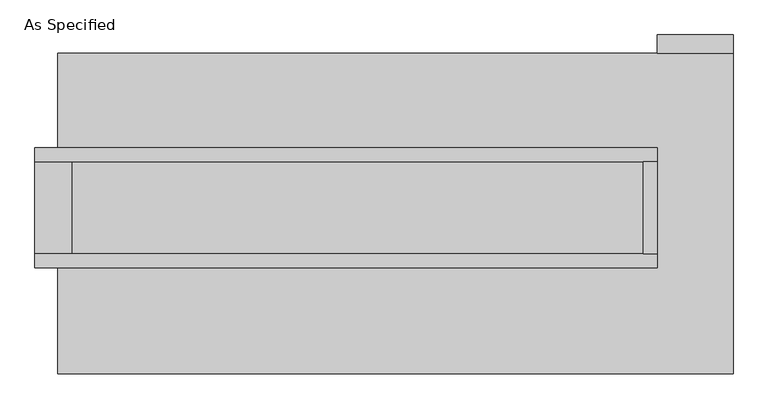
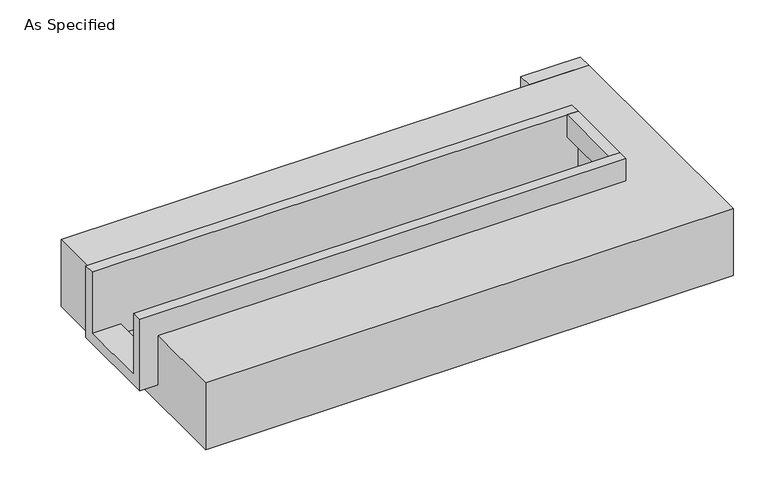
"""IFC4 building model written with IfcOpenShell, lengths in millimetres: proxy geometry, As Specified."""

import ifcopenshell
import ifcopenshell.guid

model = None  # the IFC model being written
_history = None  # IfcOwnerHistory: only IFC2X3 demands one
_inside = {}  # id of a spatial element -> (the spatial element, [elements in it])
_under = {}  # id of a project, library or spatial element -> (it, [spatial elements below it])
_declared = {}  # id of a project -> (the project, [libraries it declares])
_typed = {}  # id of a type object -> (the type object, [elements of that type])
_made_of = {}  # id of a material, layer set ... -> (it, [elements and type objects made of it])


def new_model(schema):
    """Start an empty IFC model of exactly this schema.

    Asked for "IFC4X3", IfcOpenShell would pick the latest addendum, in which some entities
    have other attributes; the version numbers below select the first issue.
    IFC2X3 requires an IfcOwnerHistory on every rooted entity: one is made here for all.
    """
    global model, _history
    if schema == "IFC4X3":
        model = ifcopenshell.file(schema_version=(4, 3, 0, 0))
    else:
        model = ifcopenshell.file(schema=schema)
    _inside.clear()
    _under.clear()
    _declared.clear()
    _typed.clear()
    _made_of.clear()
    _history = None
    if model.schema == "IFC2X3":
        org = make("IfcOrganization", Name="unknown")
        user = make(
            "IfcPersonAndOrganization",
            ThePerson=make("IfcPerson", FamilyName="unknown"),
            TheOrganization=org,
        )
        app = make(
            "IfcApplication",
            ApplicationDeveloper=org,
            Version="unknown",
            ApplicationFullName="unknown",
            ApplicationIdentifier="unknown",
        )
        _history = make(
            "IfcOwnerHistory",
            OwningUser=user,
            OwningApplication=app,
            ChangeAction="ADDED",
            CreationDate=0,
        )
    return model


def make(cls, **values):
    """One entity of the class cls with the attributes given. An attribute that is None is left unset."""
    return model.create_entity(
        cls, **{name: value for name, value in values.items() if value is not None}
    )


def rooted(cls, **values):
    """An entity with a GlobalId (a new one), such as an element, a storey or a relation."""
    return make(cls, GlobalId=ifcopenshell.guid.new(), OwnerHistory=_history, **values)


def si_unit(unit_type, name, prefix=None):
    """IfcSIUnit, for example si_unit("LENGTHUNIT", "METRE", prefix="MILLI")."""
    return make("IfcSIUnit", UnitType=unit_type, Prefix=prefix, Name=name)


def assignment(units):
    """IfcUnitAssignment: the units of a project."""
    return None if units is None else make("IfcUnitAssignment", Units=units)


def point(xyz):
    """IfcCartesianPoint."""
    return None if xyz is None else make("IfcCartesianPoint", Coordinates=xyz)


def direction(xyz):
    """IfcDirection."""
    return None if xyz is None else make("IfcDirection", DirectionRatios=xyz)


def frame(location, z_axis=None, x_axis=None):
    """IfcAxis2Placement3D, a coordinate frame: its origin and axes. An axis left out is left unset."""
    return make(
        "IfcAxis2Placement3D",
        Location=point(location),
        Axis=direction(z_axis),
        RefDirection=direction(x_axis),
    )


def origin():
    """The frame at (0, 0, 0) with its axes left unset."""
    return frame((0.0, 0.0, 0.0))


def place(relative_to, where):
    """IfcLocalPlacement: puts the frame where relative to a parent placement (None: the world)."""
    return make(
        "IfcLocalPlacement", PlacementRelTo=relative_to, RelativePlacement=where
    )


def context(
    kind, dimensions, precision=None, world=None, true_north=None, identifier=None
):
    """IfcGeometricRepresentationContext, for example the 3D "Model" context."""
    return make(
        "IfcGeometricRepresentationContext",
        ContextIdentifier=identifier,
        ContextType=kind,
        CoordinateSpaceDimension=dimensions,
        Precision=precision,
        WorldCoordinateSystem=world,
        TrueNorth=true_north,
    )


def project(units=None, contexts=None):
    """IfcProject with its units and contexts."""
    return rooted(
        "IfcProject",
        Name="project",
        RepresentationContexts=contexts,
        UnitsInContext=assignment(units),
    )


def spatial(cls, under=None, at=None, **own):
    """A site, building, storey or space (cls), placed at a placement, below another one or the project."""
    s = rooted(cls, ObjectPlacement=at, **own)
    if under is not None:
        _under.setdefault(under.id(), (under, []))[1].append(s)
    return s


def polyline(points):
    """IfcPolyline through the points."""
    return make("IfcPolyline", Points=[point(p) for p in points])


def outline(outer, holes=None, kind="AREA"):
    """IfcArbitraryClosedProfileDef: a profile drawn as a closed curve; with holes, ...WithVoids."""
    if holes is None:
        return make("IfcArbitraryClosedProfileDef", ProfileType=kind, OuterCurve=outer)
    return make(
        "IfcArbitraryProfileDefWithVoids",
        ProfileType=kind,
        OuterCurve=outer,
        InnerCurves=holes,
    )


def extrude(swept, where, along, depth):
    """IfcExtrudedAreaSolid: the profile swept, set in the frame where, extruded along a direction by depth."""
    return make(
        "IfcExtrudedAreaSolid",
        SweptArea=swept,
        Position=where,
        ExtrudedDirection=direction(along),
        Depth=depth,
    )


def faces_of(points, faces, orient=None, outer=None):
    """IfcFace entities. A face is a list of loops; a loop is a list of indices into points, from 0.

    orient and outer hold one flag for each loop. By default every Orientation is true, the
    first loop of a face is its IfcFaceOuterBound and the others are IfcFaceBound.
    """
    made = []
    for i, loops in enumerate(faces):
        bounds = []
        for j, loop in enumerate(loops):
            is_outer = j == 0 if outer is None else outer[i][j]
            bounds.append(
                make(
                    "IfcFaceOuterBound" if is_outer else "IfcFaceBound",
                    Bound=make("IfcPolyLoop", Polygon=[points[k] for k in loop]),
                    Orientation=True if orient is None else orient[i][j],
                )
            )
        made.append(make("IfcFace", Bounds=bounds))
    return made


def faceted_brep(points, faces, orient=None, outer=None, voids=None):
    """IfcFacetedBrep: a solid bounded by flat faces; with voids (closed shells), ...WithVoids."""
    shared = [point(p) for p in points]
    hull = make("IfcClosedShell", CfsFaces=faces_of(shared, faces, orient, outer))
    if voids is None:
        return make("IfcFacetedBrep", Outer=hull)
    return make(
        "IfcFacetedBrepWithVoids",
        Outer=hull,
        Voids=[
            make(cls, CfsFaces=faces_of(shared, fs, o, b)) for cls, fs, o, b in voids
        ],
    )


def shape(context_of_items, identifier, shape_type, items):
    """IfcShapeRepresentation: the items that make up one representation, for example the "Body"."""
    return make(
        "IfcShapeRepresentation",
        ContextOfItems=context_of_items,
        RepresentationIdentifier=identifier,
        RepresentationType=shape_type,
        Items=items,
    )


def source(mapping_origin, context_of_items, identifier, shape_type, items):
    """IfcRepresentationMap: a shape defined once, which mapped items show again and again."""
    return make(
        "IfcRepresentationMap",
        MappingOrigin=mapping_origin,
        MappedRepresentation=shape(context_of_items, identifier, shape_type, items),
    )


def transform(
    local_origin,
    x_axis=None,
    y_axis=None,
    z_axis=None,
    scale=None,
    scale2=None,
    scale3=None,
    uniform=True,
):
    """IfcCartesianTransformationOperator3D, or its non-uniform kind. x_axis, y_axis, z_axis: its Axis1, 2, 3."""
    if uniform:
        return make(
            "IfcCartesianTransformationOperator3D",
            Axis1=direction(x_axis),
            Axis2=direction(y_axis),
            LocalOrigin=point(local_origin),
            Scale=scale,
            Axis3=direction(z_axis),
        )
    return make(
        "IfcCartesianTransformationOperator3DnonUniform",
        Axis1=direction(x_axis),
        Axis2=direction(y_axis),
        LocalOrigin=point(local_origin),
        Scale=scale,
        Axis3=direction(z_axis),
        Scale2=scale2,
        Scale3=scale3,
    )


def mapped(mapping_source, mapping_target):
    """IfcMappedItem: shows the shape of a source again, moved by a transform."""
    return make(
        "IfcMappedItem", MappingSource=mapping_source, MappingTarget=mapping_target
    )


def made_of(thing, what):
    """Note that an element or type object is made of a material, layer set ...; save() writes the relation."""
    if what is not None:
        _made_of.setdefault(what.id(), (what, []))[1].append(thing)
    return thing


def element(
    cls,
    number,
    at=None,
    inside=None,
    cuts=None,
    type_object=None,
    material=None,
    context=None,
    identifier="Body",
    shape_type=None,
    held_by="IfcProductDefinitionShape",
    body=None,
    shapes=None,
    **own,
):
    """One element of the class cls, such as IfcWall. Its Tag is "e" and its number.

    at: its placement. inside: the storey or other place that contains it. cuts: it is an
    opening in that element (IfcRelVoidsElement). A single representation is given by context,
    identifier, shape_type and body (its items); several are given by shapes. held_by: the class
    of the entity that holds the representations. save() writes the other relations.
    """
    e = rooted(cls, Tag="e%d" % number, ObjectPlacement=at, **own)
    if body is not None:
        shapes = [shape(context, identifier, shape_type, body)]
    if shapes is not None:
        e.Representation = make(held_by, Representations=shapes)
    if inside is not None:
        _inside.setdefault(inside.id(), (inside, []))[1].append(e)
    if cuts is not None:
        rooted(
            "IfcRelVoidsElement", RelatingBuildingElement=cuts, RelatedOpeningElement=e
        )
    if type_object is not None:
        _typed.setdefault(type_object.id(), (type_object, []))[1].append(e)
    return made_of(e, material)


def aggregate(whole, parts):
    """IfcRelAggregates: a whole, such as a stair, and the parts it consists of."""
    return rooted("IfcRelAggregates", RelatingObject=whole, RelatedObjects=parts)


def save(model, path):
    """Write the relations noted so far, then the file.

    IfcRelAggregates (storeys below a building ...), IfcRelContainedInSpatialStructure (elements
    in a storey), IfcRelDefinesByType, IfcRelAssociatesMaterial and IfcRelDeclares: one each for
    every whole, place, type object, material and project.
    """
    for whole, parts in _under.values():
        aggregate(whole, parts)
    for where, things in _inside.values():
        rooted(
            "IfcRelContainedInSpatialStructure",
            RelatedElements=things,
            RelatingStructure=where,
        )
    for kind, things in _typed.values():
        rooted("IfcRelDefinesByType", RelatedObjects=things, RelatingType=kind)
    for what, things in _made_of.values():
        rooted("IfcRelAssociatesMaterial", RelatedObjects=things, RelatingMaterial=what)
    for by, libraries in _declared.values():
        rooted("IfcRelDeclares", RelatingContext=by, RelatedDefinitions=libraries)
    model.write(path)


def as_specified_653b16e0(model_context):
    return source(origin(), model_context, "Body", "SolidModel", [
        extrude(outline(polyline([(1987.55, 882.65), (1568.45, 882.65), (1568.45, 984.25), (1987.55, 984.25), (1987.55, 882.65)])), frame((0.0, 0.0, -523.9742188), z_axis=(0.0, 0.0, 1.0), x_axis=(1.0, 0.0, 0.0)), (0.0, 0.0, 1.0), 498.5742187),
        extrude(outline(polyline([(1492.25, 285.75), (1568.45, 285.75), (1568.45, -222.25), (1492.25, -222.25), (1492.25, 285.75)])), frame((0.0, 0.0, -25.4), z_axis=(0.0, 0.0, 1.0), x_axis=(1.0, 0.0, 0.0)), (0.0, 0.0, 1.0), 165.1),
        faceted_brep([(1568.45, 285.75, 139.7), (1568.45, 285.75, -317.5), (1568.45, -222.25, -317.5), (1568.45, -222.25, 139.7), (1568.45, -298.45, 139.7), (1568.45, -298.45, -393.7), (1568.45, 361.95, -393.7), (1568.45, 361.95, 139.7), (-1860.55, 285.75, 139.7), (-1860.55, 361.95, 139.7), (-1860.55, 361.95, -393.7), (-1860.55, -298.45, -393.7), (-1860.55, -298.45, 139.7), (-1860.55, -222.25, 139.7), (-1860.55, -222.25, -317.5), (-1860.55, 285.75, -317.5), (-1657.35, 285.75, -393.7), (-1657.35, -222.25, -393.7), (1492.25, -222.25, -393.7), (1492.25, 285.75, -393.7), (1492.25, -222.25, -317.5), (-1657.35, -222.25, -317.5), (1492.25, 285.75, -317.5), (-1657.35, 285.75, -317.5)], [[[0, 1, 2, 3, 4, 5, 6, 7]], [[8, 9, 10, 11, 12, 13, 14, 15]], [[0, 7, 9, 8]], [[7, 6, 10, 9]], [[6, 5, 11, 10], [16, 17, 18, 19]], [[4, 3, 13, 12]], [[3, 2, 20, 18, 17, 21, 14, 13]], [[2, 1, 22, 20]], [[15, 14, 21, 23]], [[1, 0, 8, 15, 23, 16, 19, 22]], [[21, 17, 16, 23]], [[18, 20, 22, 19]], [[5, 4, 12, 11]]]),
        faceted_brep([(1987.55, 882.65, -523.9742188), (1987.55, -882.65, -523.9742188), (-1733.55, -882.65, -523.9742188), (-1733.55, 882.65, -523.9742188), (-1733.55, 882.65, -25.4), (-1733.55, 361.95, -25.4), (1568.45, 361.95, -25.4), (1568.45, -298.45, -25.4), (-1733.55, -298.45, -25.4), (-1733.55, -882.65, -25.4), (1987.55, -882.65, -25.4), (1987.55, 882.65, -25.4), (-1733.55, -298.45, -393.7), (-1733.55, 361.95, -393.7), (1568.45, 361.95, -393.7), (1568.45, -298.45, -393.7)], [[[0, 1, 2, 3]], [[4, 5, 6, 7, 8, 9, 10, 11]], [[0, 3, 4, 11]], [[4, 3, 2, 9, 8, 12, 13, 5]], [[2, 1, 10, 9]], [[14, 15, 7, 6]], [[13, 14, 6, 5]], [[15, 14, 13, 12]], [[15, 12, 8, 7]], [[1, 0, 11, 10]]]),
    ])


if __name__ == "__main__":
    model = new_model("IFC4")
    model_context = context("Model", 3, world=origin())
    ifc_project = project(units=[si_unit("LENGTHUNIT", "METRE", prefix="MILLI")], contexts=[model_context])
    site = spatial("IfcSite", under=ifc_project)
    building = spatial("IfcBuilding", under=site)
    placement = place(None, origin())
    as_specified_shape = as_specified_653b16e0(model_context)
    element("IfcBuildingElementProxy", 1, Name="As Specified", ObjectType="As Specified", at=placement, inside=building, context=model_context, shape_type="MappedRepresentation", body=[
        mapped(as_specified_shape, transform((0.0, 0.0, 0.0), x_axis=(1.0, 0.0, 0.0), y_axis=(0.0, 1.0, 0.0), z_axis=(0.0, 0.0, 1.0))),
    ])
    save(model, "model.ifc")
